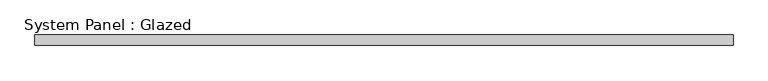
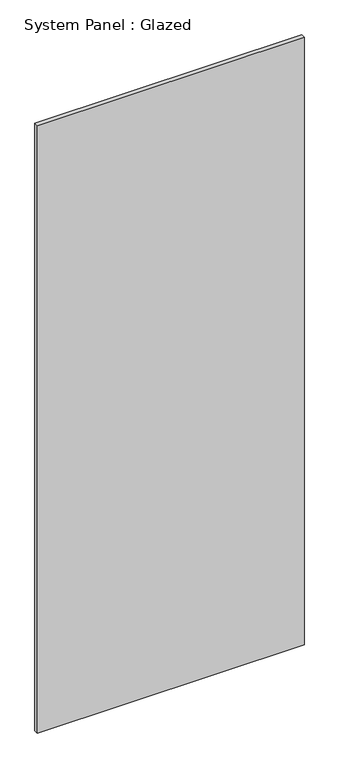
"""IFC4 building model written with IfcOpenShell, lengths in millimetres: plate geometry, System Panel : Glazed."""

from ifc_helpers import new_model, si_unit, origin, origin_with_axes, place, context, project, spatial, polyline, outline, extrude, source, transform, mapped, element, save


def system_panel_glazed_62cac361(model_context):
    return source(origin(), model_context, "Body", "SweptSolid", [
        extrude(outline(polyline([(827.8623785, -49.5), (-827.8623785, -49.5), (-827.8623785, -24.5), (827.8623785, -24.5), (827.8623785, -49.5)])), origin_with_axes(), (0.0, 0.0, 1.0), 3985.0),
    ])


if __name__ == "__main__":
    model = new_model("IFC4")
    model_context = context("Model", 3, world=origin())
    ifc_project = project(units=[si_unit("LENGTHUNIT", "METRE", prefix="MILLI")], contexts=[model_context])
    site = spatial("IfcSite", under=ifc_project)
    building = spatial("IfcBuilding", under=site)
    placement = place(None, origin())
    system_panel_glazed_shape = system_panel_glazed_62cac361(model_context)
    element("IfcPlate", 1, ObjectType="System Panel : Glazed", at=placement, inside=building, context=model_context, shape_type="MappedRepresentation", body=[
        mapped(system_panel_glazed_shape, transform((0.0, 0.0, 0.0), x_axis=(1.0, 0.0, 0.0), y_axis=(0.0, 1.0, 0.0), z_axis=(0.0, 0.0, 1.0))),
    ])
    save(model, "model.ifc")
